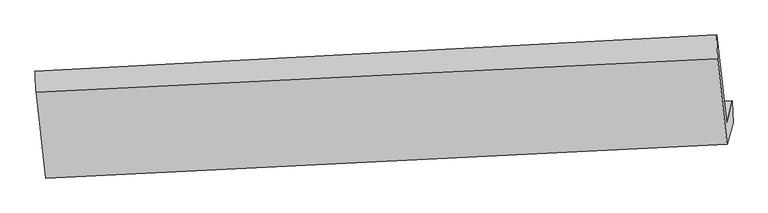
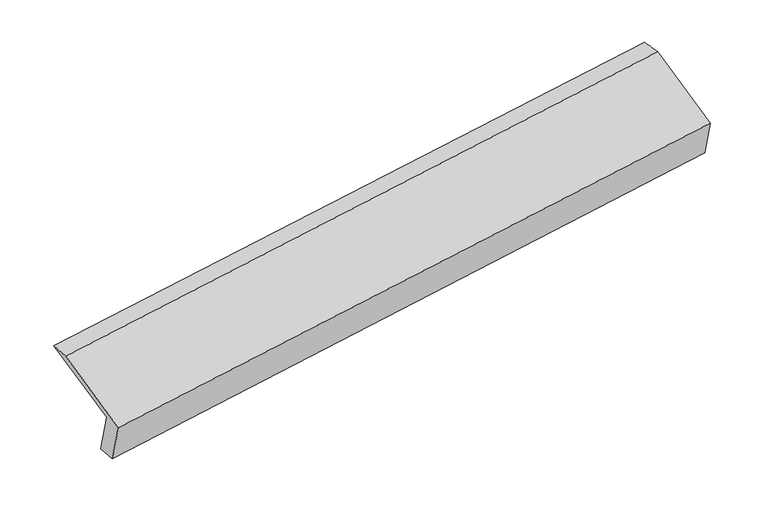
"""IFC4 building model written with IfcOpenShell, lengths in millimetres: proxy geometry."""

from ifc_helpers import new_model, si_unit, frame, origin, place, context, project, spatial, source, transform, mapped, element, save
from ifc_brep_helpers import plane_surface, spline_surface, advanced_brep


def generic_models_7c4ac000(model_context):
    return source(origin(), model_context, "Body", "AdvancedBrep", [
        advanced_brep(
        [(-5215.3768196, -1648.2273609, 1238.2856509), (-5259.8104861, -1810.1378767, 1614.7059136), (-451.8189201, -1561.559394, 2300.1255329), (-410.0803793, -1409.4695663, 1946.5370547), (-5208.2090841, -1793.4879366, 1241.5522197), (-405.6077694, -1564.5508301, 1972.635408), (-5252.2164923, -1953.845223, 1614.3614319), (-447.4590771, -1717.051566, 2327.1791926), (-5319.3620193, -1349.7450586, 1866.2783894), (-514.6046041, -1112.9514017, 2579.0961501), (-5327.3282808, -1202.6884649, 1868.0195471), (-520.3572299, -944.9285315, 2557.2679407)],
        [
            (0, 1),
            (1, 2),
            (2, 3),
            (3, 0),
            (4, 0),
            (3, 5),
            (5, 4),
            (6, 4),
            (5, 7),
            (7, 6),
            (8, 6),
            (7, 9),
            (9, 8),
            (10, 8),
            (9, 11),
            (11, 10),
            (1, 10),
            (11, 2),
        ],
        [
            plane_surface(frame((-5237.5936529, -1729.1826188, 1426.4957823), z_axis=(-0.10205151101257491, 0.9181450702394652, 0.3828774204559705), x_axis=(-0.10780502500279267, -0.39282752503030605, 0.9132713792530189))),
            spline_surface(1, 1, [[(-5208.2090841, -1793.4879366, 1241.5522197), (-405.6077694, -1564.5508301, 1972.635408)], [(-5215.3768196, -1648.2273609, 1238.2856509), (-410.0803793, -1409.4695663, 1946.5370547)]], [2, 2], [2, 2], [0.0, 1.0], [0.0, 1.0]),
            plane_surface(frame((-5230.2127882, -1873.6665798, 1427.9568258), z_axis=(0.1020515110125746, -0.9181450702394629, -0.3828774204559762), x_axis=(0.1078050250028167, 0.392827525030313, -0.9132713792530132))),
            plane_surface(frame((-5285.7892558, -1651.7951408, 1740.3199106), z_axis=(-0.11593542962035959, -0.3932413261597023, 0.912096615254602), x_axis=(0.10205151101257845, -0.9181450702394623, -0.3828774204559763))),
            spline_surface(1, 1, [[(-5327.3282808, -1202.6884649, 1868.0195471), (-520.3572299, -944.9285315, 2557.2679407)], [(-5319.3620193, -1349.7450586, 1866.2783894), (-514.6046041, -1112.9514017, 2579.0961501)]], [2, 2], [2, 2], [0.0, 1.0], [0.0, 1.0]),
            plane_surface(frame((-5293.5693834, -1506.4131708, 1741.3627304), z_axis=(0.10983837440549915, 0.39293347022123076, -0.9129834716400174), x_axis=(-0.10205151101258196, 0.9181450702394662, 0.3828774204559658))),
            plane_surface(frame((-458.32133, -1385.0852149, 2280.4735465), z_axis=(0.9889204041196602, 0.05192461433204109, 0.13906929475005309), x_axis=(0.10205151101257845, -0.9181450702394623, -0.3828774204559763))),
            plane_surface(frame((-5263.717197, -1626.3553201, 1573.8671921), z_axis=(-0.9889204041196611, -0.051924614332059804, -0.13906929475003918), x_axis=(0.10780502500279655, 0.3928275250303143, -0.913271379253015))),
        ],
        [
            (0, [[1, 2, 3, 4]]),
            (1, [[5, -4, 6, 7]]),
            (2, [[8, -7, 9, 10]]),
            (3, [[11, -10, 12, 13]]),
            (4, [[14, -13, 15, 16]]),
            (5, [[17, -16, 18, -2]]),
            (6, [[-12, -9, -6, -3, -18, -15]]),
            (7, [[-1, -5, -8, -11, -14, -17]]),
        ],
    ),
    ])


if __name__ == "__main__":
    model = new_model("IFC4")
    model_context = context("Model", 3, world=origin())
    ifc_project = project(units=[si_unit("LENGTHUNIT", "METRE", prefix="MILLI")], contexts=[model_context])
    site = spatial("IfcSite", under=ifc_project)
    building = spatial("IfcBuilding", under=site)
    placement = place(None, origin())
    generic_models_shape = generic_models_7c4ac000(model_context)
    element("IfcBuildingElementProxy", 1, Name="Generic Models", at=placement, inside=building, context=model_context, shape_type="MappedRepresentation", body=[
        mapped(generic_models_shape, transform((0.0, 0.0, 0.0), x_axis=(1.0, 0.0, 0.0), y_axis=(0.0, 1.0, 0.0), z_axis=(0.0, 0.0, 1.0))),
    ])
    save(model, "model.ifc")
